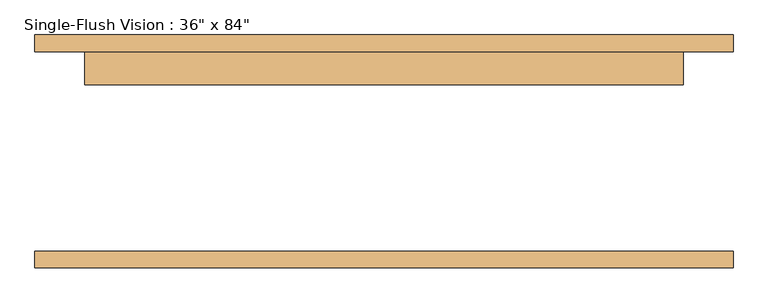
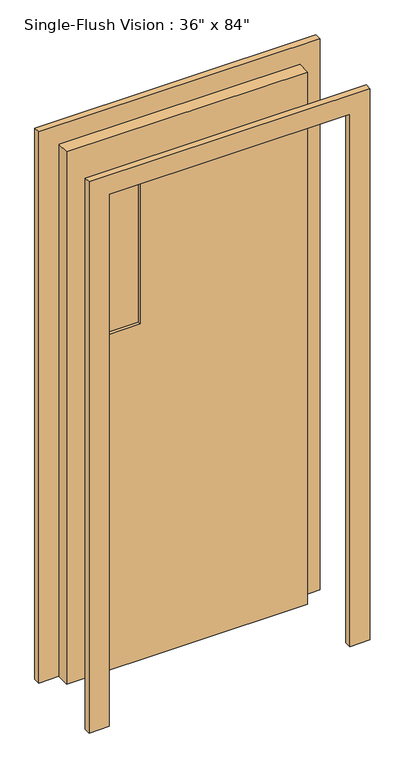
"""IFC4 building model written with IfcOpenShell, lengths in millimetres: door geometry."""

from ifc_helpers import new_model, si_unit, frame, origin, place, context, project, spatial, polyline, outline, extrude, source, transform, mapped, element, save


def door_13cd82d2(model_context):
    return source(origin(), model_context, "Body", "SweptSolid", [
        extrude(outline(polyline([(2209.8, -533.4), (0.0, -533.4), (0.0, -457.2), (2133.6, -457.2), (2133.6, 457.2), (0.0, 457.2), (0.0, 533.4), (2209.8, 533.4), (2209.8, -533.4)])), frame((0.0, 152.4, 0.0), z_axis=(0.0, 1.0, 0.0), x_axis=(0.0, 0.0, 1.0)), (0.0, 0.0, 1.0), 25.4),
        extrude(outline(polyline([(2133.6, 457.2), (0.0, 457.2), (0.0, 533.4), (2209.8, 533.4), (2209.8, -533.4), (0.0, -533.4), (0.0, -457.2), (2133.6, -457.2), (2133.6, 457.2)])), frame((0.0, -177.8, 0.0), z_axis=(0.0, 1.0, 0.0), x_axis=(0.0, 0.0, 1.0)), (0.0, 0.0, 1.0), 25.4),
        extrude(outline(polyline([(-177.8, 114.3), (-304.8, 114.3), (-304.8, 120.65), (-177.8, 120.65), (-177.8, 114.3)])), frame((0.0, 0.0, 1346.2), z_axis=(0.0, 0.0, 1.0), x_axis=(1.0, 0.0, 0.0)), (0.0, 0.0, 1.0), 635.0),
        extrude(outline(polyline([(-177.8, 133.35), (-304.8, 133.35), (-304.8, 139.7), (-177.8, 139.7), (-177.8, 133.35)])), frame((0.0, 0.0, 1346.2), z_axis=(0.0, 0.0, 1.0), x_axis=(1.0, 0.0, 0.0)), (0.0, 0.0, 1.0), 635.0),
        extrude(outline(polyline([(2133.6, -457.2), (0.0, -457.2), (0.0, 457.2), (2133.6, 457.2), (2133.6, -457.2)]), holes=[polyline([(1981.2, -304.8), (1981.2, -177.8), (1346.2, -177.8), (1346.2, -304.8), (1981.2, -304.8)])]), frame((0.0, 101.6, 0.0), z_axis=(0.0, 1.0, 0.0), x_axis=(0.0, 0.0, 1.0)), (0.0, 0.0, 1.0), 50.8),
    ])


if __name__ == "__main__":
    model = new_model("IFC4")
    model_context = context("Model", 3, world=origin())
    ifc_project = project(units=[si_unit("LENGTHUNIT", "METRE", prefix="MILLI")], contexts=[model_context])
    site = spatial("IfcSite", under=ifc_project)
    building = spatial("IfcBuilding", under=site)
    placement = place(None, origin())
    door_shape = door_13cd82d2(model_context)
    element("IfcDoor", 1, ObjectType="Single-Flush Vision : 36\" x 84\"", at=placement, inside=building, context=model_context, shape_type="MappedRepresentation", body=[
        mapped(door_shape, transform((0.0, 0.0, 0.0), x_axis=(1.0, 0.0, 0.0), y_axis=(0.0, 1.0, 0.0), z_axis=(0.0, 0.0, 1.0))),
    ])
    save(model, "model.ifc")
